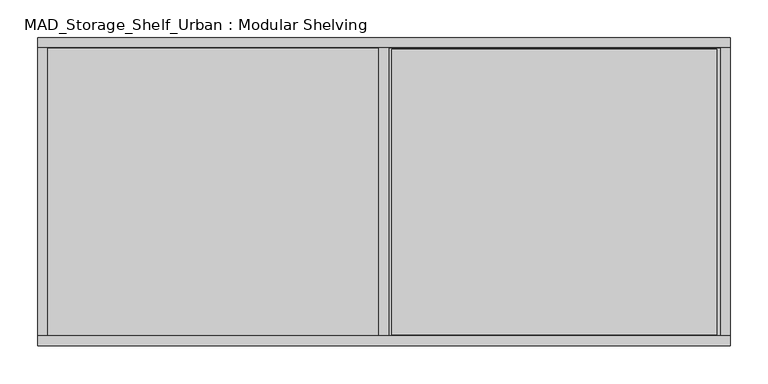
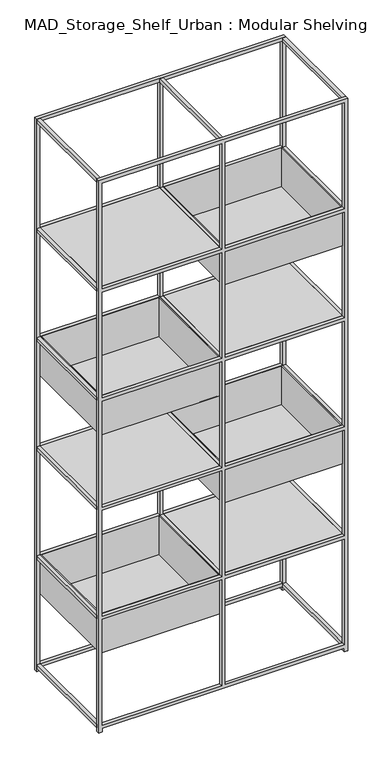
"""IFC4 building model written with IfcOpenShell, lengths in millimetres: furniture geometry, MAD_Storage_Shelf_Urban : Modular Shelving."""

import ifcopenshell
import ifcopenshell.guid

model = None  # the IFC model being written
_history = None  # IfcOwnerHistory: only IFC2X3 demands one
_inside = {}  # id of a spatial element -> (the spatial element, [elements in it])
_under = {}  # id of a project, library or spatial element -> (it, [spatial elements below it])
_declared = {}  # id of a project -> (the project, [libraries it declares])
_typed = {}  # id of a type object -> (the type object, [elements of that type])
_made_of = {}  # id of a material, layer set ... -> (it, [elements and type objects made of it])


def new_model(schema):
    """Start an empty IFC model of exactly this schema.

    Asked for "IFC4X3", IfcOpenShell would pick the latest addendum, in which some entities
    have other attributes; the version numbers below select the first issue.
    IFC2X3 requires an IfcOwnerHistory on every rooted entity: one is made here for all.
    """
    global model, _history
    if schema == "IFC4X3":
        model = ifcopenshell.file(schema_version=(4, 3, 0, 0))
    else:
        model = ifcopenshell.file(schema=schema)
    _inside.clear()
    _under.clear()
    _declared.clear()
    _typed.clear()
    _made_of.clear()
    _history = None
    if model.schema == "IFC2X3":
        org = make("IfcOrganization", Name="unknown")
        user = make(
            "IfcPersonAndOrganization",
            ThePerson=make("IfcPerson", FamilyName="unknown"),
            TheOrganization=org,
        )
        app = make(
            "IfcApplication",
            ApplicationDeveloper=org,
            Version="unknown",
            ApplicationFullName="unknown",
            ApplicationIdentifier="unknown",
        )
        _history = make(
            "IfcOwnerHistory",
            OwningUser=user,
            OwningApplication=app,
            ChangeAction="ADDED",
            CreationDate=0,
        )
    return model


def make(cls, **values):
    """One entity of the class cls with the attributes given. An attribute that is None is left unset."""
    return model.create_entity(
        cls, **{name: value for name, value in values.items() if value is not None}
    )


def rooted(cls, **values):
    """An entity with a GlobalId (a new one), such as an element, a storey or a relation."""
    return make(cls, GlobalId=ifcopenshell.guid.new(), OwnerHistory=_history, **values)


def si_unit(unit_type, name, prefix=None):
    """IfcSIUnit, for example si_unit("LENGTHUNIT", "METRE", prefix="MILLI")."""
    return make("IfcSIUnit", UnitType=unit_type, Prefix=prefix, Name=name)


def assignment(units):
    """IfcUnitAssignment: the units of a project."""
    return None if units is None else make("IfcUnitAssignment", Units=units)


def point(xyz):
    """IfcCartesianPoint."""
    return None if xyz is None else make("IfcCartesianPoint", Coordinates=xyz)


def direction(xyz):
    """IfcDirection."""
    return None if xyz is None else make("IfcDirection", DirectionRatios=xyz)


def frame(location, z_axis=None, x_axis=None):
    """IfcAxis2Placement3D, a coordinate frame: its origin and axes. An axis left out is left unset."""
    return make(
        "IfcAxis2Placement3D",
        Location=point(location),
        Axis=direction(z_axis),
        RefDirection=direction(x_axis),
    )


def origin():
    """The frame at (0, 0, 0) with its axes left unset."""
    return frame((0.0, 0.0, 0.0))


def place(relative_to, where):
    """IfcLocalPlacement: puts the frame where relative to a parent placement (None: the world)."""
    return make(
        "IfcLocalPlacement", PlacementRelTo=relative_to, RelativePlacement=where
    )


def context(
    kind, dimensions, precision=None, world=None, true_north=None, identifier=None
):
    """IfcGeometricRepresentationContext, for example the 3D "Model" context."""
    return make(
        "IfcGeometricRepresentationContext",
        ContextIdentifier=identifier,
        ContextType=kind,
        CoordinateSpaceDimension=dimensions,
        Precision=precision,
        WorldCoordinateSystem=world,
        TrueNorth=true_north,
    )


def project(units=None, contexts=None):
    """IfcProject with its units and contexts."""
    return rooted(
        "IfcProject",
        Name="project",
        RepresentationContexts=contexts,
        UnitsInContext=assignment(units),
    )


def spatial(cls, under=None, at=None, **own):
    """A site, building, storey or space (cls), placed at a placement, below another one or the project."""
    s = rooted(cls, ObjectPlacement=at, **own)
    if under is not None:
        _under.setdefault(under.id(), (under, []))[1].append(s)
    return s


def polyline(points):
    """IfcPolyline through the points."""
    return make("IfcPolyline", Points=[point(p) for p in points])


def outline(outer, holes=None, kind="AREA"):
    """IfcArbitraryClosedProfileDef: a profile drawn as a closed curve; with holes, ...WithVoids."""
    if holes is None:
        return make("IfcArbitraryClosedProfileDef", ProfileType=kind, OuterCurve=outer)
    return make(
        "IfcArbitraryProfileDefWithVoids",
        ProfileType=kind,
        OuterCurve=outer,
        InnerCurves=holes,
    )


def extrude(swept, where, along, depth):
    """IfcExtrudedAreaSolid: the profile swept, set in the frame where, extruded along a direction by depth."""
    return make(
        "IfcExtrudedAreaSolid",
        SweptArea=swept,
        Position=where,
        ExtrudedDirection=direction(along),
        Depth=depth,
    )


def shape(context_of_items, identifier, shape_type, items):
    """IfcShapeRepresentation: the items that make up one representation, for example the "Body"."""
    return make(
        "IfcShapeRepresentation",
        ContextOfItems=context_of_items,
        RepresentationIdentifier=identifier,
        RepresentationType=shape_type,
        Items=items,
    )


def source(mapping_origin, context_of_items, identifier, shape_type, items):
    """IfcRepresentationMap: a shape defined once, which mapped items show again and again."""
    return make(
        "IfcRepresentationMap",
        MappingOrigin=mapping_origin,
        MappedRepresentation=shape(context_of_items, identifier, shape_type, items),
    )


def transform(
    local_origin,
    x_axis=None,
    y_axis=None,
    z_axis=None,
    scale=None,
    scale2=None,
    scale3=None,
    uniform=True,
):
    """IfcCartesianTransformationOperator3D, or its non-uniform kind. x_axis, y_axis, z_axis: its Axis1, 2, 3."""
    if uniform:
        return make(
            "IfcCartesianTransformationOperator3D",
            Axis1=direction(x_axis),
            Axis2=direction(y_axis),
            LocalOrigin=point(local_origin),
            Scale=scale,
            Axis3=direction(z_axis),
        )
    return make(
        "IfcCartesianTransformationOperator3DnonUniform",
        Axis1=direction(x_axis),
        Axis2=direction(y_axis),
        LocalOrigin=point(local_origin),
        Scale=scale,
        Axis3=direction(z_axis),
        Scale2=scale2,
        Scale3=scale3,
    )


def mapped(mapping_source, mapping_target):
    """IfcMappedItem: shows the shape of a source again, moved by a transform."""
    return make(
        "IfcMappedItem", MappingSource=mapping_source, MappingTarget=mapping_target
    )


def made_of(thing, what):
    """Note that an element or type object is made of a material, layer set ...; save() writes the relation."""
    if what is not None:
        _made_of.setdefault(what.id(), (what, []))[1].append(thing)
    return thing


def element(
    cls,
    number,
    at=None,
    inside=None,
    cuts=None,
    type_object=None,
    material=None,
    context=None,
    identifier="Body",
    shape_type=None,
    held_by="IfcProductDefinitionShape",
    body=None,
    shapes=None,
    **own,
):
    """One element of the class cls, such as IfcWall. Its Tag is "e" and its number.

    at: its placement. inside: the storey or other place that contains it. cuts: it is an
    opening in that element (IfcRelVoidsElement). A single representation is given by context,
    identifier, shape_type and body (its items); several are given by shapes. held_by: the class
    of the entity that holds the representations. save() writes the other relations.
    """
    e = rooted(cls, Tag="e%d" % number, ObjectPlacement=at, **own)
    if body is not None:
        shapes = [shape(context, identifier, shape_type, body)]
    if shapes is not None:
        e.Representation = make(held_by, Representations=shapes)
    if inside is not None:
        _inside.setdefault(inside.id(), (inside, []))[1].append(e)
    if cuts is not None:
        rooted(
            "IfcRelVoidsElement", RelatingBuildingElement=cuts, RelatedOpeningElement=e
        )
    if type_object is not None:
        _typed.setdefault(type_object.id(), (type_object, []))[1].append(e)
    return made_of(e, material)


def aggregate(whole, parts):
    """IfcRelAggregates: a whole, such as a stair, and the parts it consists of."""
    return rooted("IfcRelAggregates", RelatingObject=whole, RelatedObjects=parts)


def save(model, path):
    """Write the relations noted so far, then the file.

    IfcRelAggregates (storeys below a building ...), IfcRelContainedInSpatialStructure (elements
    in a storey), IfcRelDefinesByType, IfcRelAssociatesMaterial and IfcRelDeclares: one each for
    every whole, place, type object, material and project.
    """
    for whole, parts in _under.values():
        aggregate(whole, parts)
    for where, things in _inside.values():
        rooted(
            "IfcRelContainedInSpatialStructure",
            RelatedElements=things,
            RelatingStructure=where,
        )
    for kind, things in _typed.values():
        rooted("IfcRelDefinesByType", RelatedObjects=things, RelatingType=kind)
    for what, things in _made_of.values():
        rooted("IfcRelAssociatesMaterial", RelatedObjects=things, RelatingMaterial=what)
    for by, libraries in _declared.values():
        rooted("IfcRelDeclares", RelatingContext=by, RelatedDefinitions=libraries)
    model.write(path)


def mad_storage_shelf_urban_modular_shelving_9ce96797(model_context):
    return source(origin(), model_context, "Body", "SweptSolid", [
        extrude(outline(polyline([(13.7584546, 12.7002059), (13.7584546, 901.5478412), (0.0, 901.5478412), (0.0, 914.2480471), (2143.125, 914.2480471), (2143.125, 0.0), (0.0, 0.0), (0.0, 12.7002059), (13.7584546, 12.7002059)]), holes=[polyline([(2130.4250484, 901.5478412), (1719.5789778, 901.5478412), (1719.5789778, 463.0673829), (2130.4250484, 463.0673829), (2130.4250484, 901.5478412)]), polyline([(1706.6471363, 901.5478412), (1296.1365829, 901.5478412), (1296.1365829, 463.0673829), (1706.6471363, 463.0673829), (1706.6471363, 901.5478412)]), polyline([(1283.9659595, 901.5478412), (872.5912148, 901.5478412), (872.5912148, 463.0673829), (1283.9659595, 463.0673829), (1283.9659595, 901.5478412)]), polyline([(859.8912632, 901.5478412), (449.6053328, 901.5478412), (449.6053328, 463.0673829), (859.8912632, 463.0673829), (859.8912632, 901.5478412)]), polyline([(436.9053812, 901.5478412), (26.4584061, 901.5478412), (26.4584061, 463.0673829), (436.9053812, 463.0673829), (436.9053812, 901.5478412)]), polyline([(2130.4250484, 12.7002059), (2130.4250484, 450.3671878), (1719.5789778, 450.3671878), (1719.5789778, 12.7002059), (2130.4250484, 12.7002059)]), polyline([(1706.6471363, 12.7002059), (1706.6471363, 450.3671878), (1296.1365829, 450.3671878), (1296.1365829, 12.7002059), (1706.6471363, 12.7002059)]), polyline([(1283.9659595, 12.7002059), (1283.9659595, 450.3671878), (872.5912148, 450.3671878), (872.5912148, 12.7002059), (1283.9659595, 12.7002059)]), polyline([(859.8912632, 12.7002059), (859.8912632, 450.3671878), (449.6053328, 450.3671878), (449.6053328, 12.7002059), (859.8912632, 12.7002059)]), polyline([(436.9053812, 12.7002059), (436.9053812, 450.3671878), (26.4584061, 450.3671878), (26.4584061, 12.7002059), (436.9053812, 12.7002059)])]), frame((0.0, -14.9732685, 0.0), z_axis=(0.0, 1.0, 0.0), x_axis=(0.0, 0.0, 1.0)), (0.0, 0.0, 1.0), 12.6999516),
        extrude(outline(polyline([(13.7584546, 12.7002059), (13.7584546, 901.5478412), (0.0, 901.5478412), (0.0, 914.1718889), (2143.125, 914.1718889), (2143.125, 0.0), (0.0, 0.0), (0.0, 12.7002059), (13.7584546, 12.7002059)]), holes=[polyline([(2130.4250484, 901.5478412), (1719.5789778, 901.5478412), (1719.5789778, 463.2451173), (2130.4250484, 463.2451173), (2130.4250484, 901.5478412)]), polyline([(1706.6471363, 901.5478412), (1296.1365829, 901.5478412), (1296.1365829, 463.2451173), (1706.6471363, 463.2451173), (1706.6471363, 901.5478412)]), polyline([(1283.4366314, 901.5478412), (872.5912148, 901.5478412), (872.5912148, 463.2451173), (1283.4366314, 463.2451173), (1283.4366314, 901.5478412)]), polyline([(859.8912632, 901.5478412), (449.6053328, 901.5478412), (449.6053328, 463.2451173), (859.8912632, 463.2451173), (859.8912632, 901.5478412)]), polyline([(436.9053812, 901.5478412), (26.4584061, 901.5478412), (26.4584061, 463.2451173), (436.9053812, 463.2451173), (436.9053812, 901.5478412)]), polyline([(2130.4250484, 12.7002059), (2130.4250484, 450.5458986), (1719.5789778, 450.5458986), (1719.5789778, 12.7002059), (2130.4250484, 12.7002059)]), polyline([(1706.6471363, 12.7002059), (1706.6471363, 450.5458986), (1296.1365829, 450.5458986), (1296.1365829, 12.7002059), (1706.6471363, 12.7002059)]), polyline([(1283.4366314, 12.7002059), (1283.4366314, 450.5458986), (872.5912148, 450.5458986), (872.5912148, 12.7002059), (1283.4366314, 12.7002059)]), polyline([(859.8912632, 12.7002059), (859.8912632, 450.5458986), (449.6053328, 450.5458986), (449.6053328, 12.7002059), (859.8912632, 12.7002059)]), polyline([(436.9053812, 12.7002059), (436.9053812, 450.5458986), (26.4584061, 450.5458986), (26.4584061, 12.7002059), (436.9053812, 12.7002059)])]), frame((0.0, -408.6732927, 0.0), z_axis=(0.0, 1.0, 0.0), x_axis=(0.0, 0.0, 1.0)), (0.0, 0.0, 1.0), 12.7000242),
        extrude(outline(polyline([(896.480469, -16.92017), (896.480469, -394.1567369), (467.0410247, -394.1567369), (467.0410247, -16.92017), (896.480469, -16.92017)])), frame((0.0, 0.0, 1567.9163601), z_axis=(0.0, 0.0, 1.0), x_axis=(1.0, 0.0, 0.0)), (0.0, 0.0, 1.0), 1.5874031),
        extrude(outline(polyline([(901.5478412, -14.9732685), (901.5478412, -395.9732685), (463.0673937, -395.9732685), (463.0673937, -14.9732685), (901.5478412, -14.9732685)]), holes=[polyline([(467.0410247, -394.1567369), (896.480469, -394.1567369), (896.480469, -16.92017), (467.0410247, -16.92017), (467.0410247, -394.1567369)])]), frame((0.0, 0.0, 1567.9163601), z_axis=(0.0, 0.0, 1.0), x_axis=(1.0, 0.0, 0.0)), (0.0, 0.0, 1.0), 151.6626177),
        extrude(outline(polyline([(896.480469, -16.92017), (896.480469, -394.1567369), (467.0410247, -394.1567369), (467.0410247, -16.92017), (896.480469, -16.92017)])), frame((0.0, 0.0, 721.6902512), z_axis=(0.0, 0.0, 1.0), x_axis=(1.0, 0.0, 0.0)), (0.0, 0.0, 1.0), 1.5874031),
        extrude(outline(polyline([(901.5478412, -14.9732685), (901.5478412, -395.9732685), (463.0673937, -395.9732685), (463.0673937, -14.9732685), (901.5478412, -14.9732685)]), holes=[polyline([(467.0410247, -394.1567369), (896.480469, -394.1567369), (896.480469, -16.92017), (467.0410247, -16.92017), (467.0410247, -394.1567369)])]), frame((0.0, 0.0, 721.6902512), z_axis=(0.0, 0.0, 1.0), x_axis=(1.0, 0.0, 0.0)), (0.0, 0.0, 1.0), 150.9009636),
        extrude(outline(polyline([(446.1132812, -16.92017), (446.1132812, -394.1567369), (16.6738369, -394.1567369), (16.6738369, -16.92017), (446.1132812, -16.92017)])), frame((0.0, 0.0, 1143.584194), z_axis=(0.0, 0.0, 1.0), x_axis=(1.0, 0.0, 0.0)), (0.0, 0.0, 1.0), 1.5874031),
        extrude(outline(polyline([(450.3671878, -14.9732685), (450.3671878, -395.9732685), (12.7002059, -395.9732685), (12.7002059, -14.9732685), (450.3671878, -14.9732685)]), holes=[polyline([(16.6738369, -394.1567369), (446.1132812, -394.1567369), (446.1132812, -16.92017), (16.6738369, -16.92017), (16.6738369, -394.1567369)])]), frame((0.0, 0.0, 1143.584194), z_axis=(0.0, 0.0, 1.0), x_axis=(1.0, 0.0, 0.0)), (0.0, 0.0, 1.0), 152.552389),
        extrude(outline(polyline([(446.1132812, -16.92017), (446.1132812, -394.1567369), (16.6738369, -394.1567369), (16.6738369, -16.92017), (446.1132812, -16.92017)])), frame((0.0, 0.0, 297.0529438), z_axis=(0.0, 0.0, 1.0), x_axis=(1.0, 0.0, 0.0)), (0.0, 0.0, 1.0), 1.5874031),
        extrude(outline(polyline([(450.3671878, -14.9732685), (450.3671878, -395.9732685), (12.7002059, -395.9732685), (12.7002059, -14.9732685), (450.3671878, -14.9732685)]), holes=[polyline([(16.6738369, -394.1567369), (446.1132812, -394.1567369), (446.1132812, -16.92017), (16.6738369, -16.92017), (16.6738369, -394.1567369)])]), frame((0.0, 0.0, 297.0529438), z_axis=(0.0, 0.0, 1.0), x_axis=(1.0, 0.0, 0.0)), (0.0, 0.0, 1.0), 152.552389),
        extrude(outline(polyline([(450.3671878, -14.9732685), (450.3671878, -395.9732685), (12.7002059, -395.9732685), (12.7002059, -14.9732685), (450.3671878, -14.9732685)])), frame((0.0, 0.0, 1706.6471363), z_axis=(0.0, 0.0, 1.0), x_axis=(1.0, 0.0, 0.0)), (0.0, 0.0, 1.0), 12.9318415),
        extrude(outline(polyline([(901.5478412, -14.9732685), (901.5478412, -395.9732685), (463.0673937, -395.9732685), (463.0673937, -14.9732685), (901.5478412, -14.9732685)])), frame((0.0, 0.0, 1283.4366314), z_axis=(0.0, 0.0, 1.0), x_axis=(1.0, 0.0, 0.0)), (0.0, 0.0, 1.0), 12.6999516),
        extrude(outline(polyline([(450.3671878, -14.9732685), (450.3671878, -395.9732685), (12.7002059, -395.9732685), (12.7002059, -14.9732685), (450.3671878, -14.9732685)])), frame((0.0, 0.0, 859.8912632), z_axis=(0.0, 0.0, 1.0), x_axis=(1.0, 0.0, 0.0)), (0.0, 0.0, 1.0), 12.6999516),
        extrude(outline(polyline([(901.5478412, -14.9732685), (901.5478412, -395.9732685), (463.0673937, -395.9732685), (463.0673937, -14.9732685), (901.5478412, -14.9732685)])), frame((0.0, 0.0, 436.9053812), z_axis=(0.0, 0.0, 1.0), x_axis=(1.0, 0.0, 0.0)), (0.0, 0.0, 1.0), 12.6999516),
        extrude(outline(polyline([(12.7002059, -395.9732685), (0.0, -395.9732685), (0.0, -14.9732685), (12.7002059, -14.9732685), (12.7002059, -395.9732685)])), frame((0.0, 0.0, 2130.4250484), z_axis=(0.0, 0.0, 1.0), x_axis=(1.0, 0.0, 0.0)), (0.0, 0.0, 1.0), 12.6999516),
        extrude(outline(polyline([(914.1718889, -395.9732685), (901.5478412, -395.9732685), (901.5478412, -14.9732685), (914.1718889, -14.9732685), (914.1718889, -395.9732685)])), frame((0.0, 0.0, 2130.4250484), z_axis=(0.0, 0.0, 1.0), x_axis=(1.0, 0.0, 0.0)), (0.0, 0.0, 1.0), 12.6999516),
        extrude(outline(polyline([(12.7002059, -395.9732685), (0.0, -395.9732685), (0.0, -14.9732685), (12.7002059, -14.9732685), (12.7002059, -395.9732685)])), frame((0.0, 0.0, 1706.6471363), z_axis=(0.0, 0.0, 1.0), x_axis=(1.0, 0.0, 0.0)), (0.0, 0.0, 1.0), 12.9318415),
        extrude(outline(polyline([(914.1718889, -395.9732685), (901.5478412, -395.9732685), (901.5478412, -14.9732685), (914.1718889, -14.9732685), (914.1718889, -395.9732685)])), frame((0.0, 0.0, 1706.6471363), z_axis=(0.0, 0.0, 1.0), x_axis=(1.0, 0.0, 0.0)), (0.0, 0.0, 1.0), 12.9318415),
        extrude(outline(polyline([(12.7002059, -395.9732685), (0.0, -395.9732685), (0.0, -14.9732685), (12.7002059, -14.9732685), (12.7002059, -395.9732685)])), frame((0.0, 0.0, 1283.4366314), z_axis=(0.0, 0.0, 1.0), x_axis=(1.0, 0.0, 0.0)), (0.0, 0.0, 1.0), 12.6999516),
        extrude(outline(polyline([(914.1718889, -395.9732685), (901.5478412, -395.9732685), (901.5478412, -14.9732685), (914.1718889, -14.9732685), (914.1718889, -395.9732685)])), frame((0.0, 0.0, 1283.4366314), z_axis=(0.0, 0.0, 1.0), x_axis=(1.0, 0.0, 0.0)), (0.0, 0.0, 1.0), 12.6999516),
        extrude(outline(polyline([(12.7002059, -395.9732685), (0.0, -395.9732685), (0.0, -14.9732685), (12.7002059, -14.9732685), (12.7002059, -395.9732685)])), frame((0.0, 0.0, 859.8912632), z_axis=(0.0, 0.0, 1.0), x_axis=(1.0, 0.0, 0.0)), (0.0, 0.0, 1.0), 12.6999516),
        extrude(outline(polyline([(914.1718889, -395.9732685), (901.5478412, -395.9732685), (901.5478412, -14.9732685), (914.1718889, -14.9732685), (914.1718889, -395.9732685)])), frame((0.0, 0.0, 859.8912632), z_axis=(0.0, 0.0, 1.0), x_axis=(1.0, 0.0, 0.0)), (0.0, 0.0, 1.0), 12.6999516),
        extrude(outline(polyline([(12.7002059, -395.9732685), (0.0, -395.9732685), (0.0, -14.9732685), (12.7002059, -14.9732685), (12.7002059, -395.9732685)])), frame((0.0, 0.0, 436.9053812), z_axis=(0.0, 0.0, 1.0), x_axis=(1.0, 0.0, 0.0)), (0.0, 0.0, 1.0), 12.6999516),
        extrude(outline(polyline([(914.1718889, -395.9732685), (901.5478412, -395.9732685), (901.5478412, -14.9732685), (914.1718889, -14.9732685), (914.1718889, -395.9732685)])), frame((0.0, 0.0, 436.9053812), z_axis=(0.0, 0.0, 1.0), x_axis=(1.0, 0.0, 0.0)), (0.0, 0.0, 1.0), 12.6999516),
        extrude(outline(polyline([(12.7002059, -395.9732685), (0.0, -395.9732685), (0.0, -14.9732685), (12.7002059, -14.9732685), (12.7002059, -395.9732685)])), frame((0.0, 0.0, 13.7584546), z_axis=(0.0, 0.0, 1.0), x_axis=(1.0, 0.0, 0.0)), (0.0, 0.0, 1.0), 12.6999516),
        extrude(outline(polyline([(914.1718889, -395.9732685), (901.5478412, -395.9732685), (901.5478412, -14.9732685), (914.1718889, -14.9732685), (914.1718889, -395.9732685)])), frame((0.0, 0.0, 13.7584546), z_axis=(0.0, 0.0, 1.0), x_axis=(1.0, 0.0, 0.0)), (0.0, 0.0, 1.0), 12.6999516),
        extrude(outline(polyline([(463.0673937, -395.9732685), (450.3671878, -395.9732685), (450.3671878, -14.9732685), (463.0673937, -14.9732685), (463.0673937, -395.9732685)])), frame((0.0, 0.0, 436.9053812), z_axis=(0.0, 0.0, 1.0), x_axis=(1.0, 0.0, 0.0)), (0.0, 0.0, 1.0), 12.6999516),
        extrude(outline(polyline([(463.0673937, -395.9732685), (450.3671878, -395.9732685), (450.3671878, -14.9732685), (463.0673937, -14.9732685), (463.0673937, -395.9732685)])), frame((0.0, 0.0, 859.8912632), z_axis=(0.0, 0.0, 1.0), x_axis=(1.0, 0.0, 0.0)), (0.0, 0.0, 1.0), 12.6999516),
        extrude(outline(polyline([(463.0673937, -395.9732685), (450.3671878, -395.9732685), (450.3671878, -14.9732685), (463.0673937, -14.9732685), (463.0673937, -395.9732685)])), frame((0.0, 0.0, 1283.4366314), z_axis=(0.0, 0.0, 1.0), x_axis=(1.0, 0.0, 0.0)), (0.0, 0.0, 1.0), 12.6999516),
        extrude(outline(polyline([(463.0673937, -395.9732685), (450.3671878, -395.9732685), (450.3671878, -14.9732685), (463.0673937, -14.9732685), (463.0673937, -395.9732685)])), frame((0.0, 0.0, 1706.6471363), z_axis=(0.0, 0.0, 1.0), x_axis=(1.0, 0.0, 0.0)), (0.0, 0.0, 1.0), 12.9318415),
        extrude(outline(polyline([(463.0673937, -395.9732685), (450.3671878, -395.9732685), (450.3671878, -14.9732685), (463.0673937, -14.9732685), (463.0673937, -395.9732685)])), frame((0.0, 0.0, 2130.4250484), z_axis=(0.0, 0.0, 1.0), x_axis=(1.0, 0.0, 0.0)), (0.0, 0.0, 1.0), 12.6999516),
    ])


if __name__ == "__main__":
    model = new_model("IFC4")
    model_context = context("Model", 3, world=origin())
    ifc_project = project(units=[si_unit("LENGTHUNIT", "METRE", prefix="MILLI")], contexts=[model_context])
    site = spatial("IfcSite", under=ifc_project)
    building = spatial("IfcBuilding", under=site)
    placement = place(None, origin())
    mad_storage_shelf_urban_modular_shelving_shape = mad_storage_shelf_urban_modular_shelving_9ce96797(model_context)
    element("IfcFurniture", 1, ObjectType="MAD_Storage_Shelf_Urban : Modular Shelving", at=placement, inside=building, context=model_context, shape_type="MappedRepresentation", body=[
        mapped(mad_storage_shelf_urban_modular_shelving_shape, transform((0.0, 0.0, 0.0), x_axis=(1.0, 0.0, 0.0), y_axis=(0.0, 1.0, 0.0), z_axis=(0.0, 0.0, 1.0))),
    ])
    save(model, "model.ifc")
